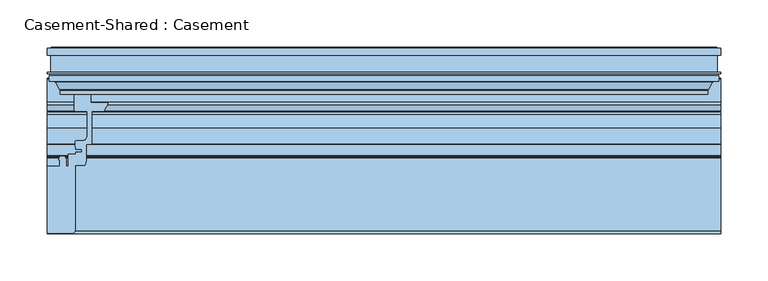
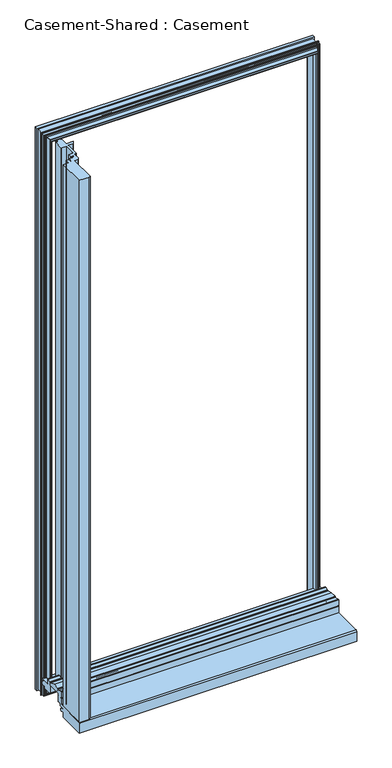
"""IFC4 building model written with IfcOpenShell, lengths in millimetres: window geometry, Casement-Shared : Casement."""

from ifc_helpers import new_model, si_unit, point, frame, frame_2d, origin, place, context, project, spatial, polyline, circle_curve, ellipse_curve, trimmed, segment, composite_curve, outline, extrude, source, transform, mapped, element, save
from ifc_brep_helpers import plane_surface, cylinder_surface, revolved_surface, advanced_brep


def casement_shared_casement_b334f753(model_context):
    return source(origin(), model_context, "Body", "SolidModel", [
        advanced_brep(
        [(-341.1832018, 129.8010317, 2423.9832018), (-342.8319392, 131.3656251, 2425.6319392), (342.8319392, 131.3656251, 2425.6319392), (341.1832018, 129.8010317, 2423.9832018), (-339.725, 101.9768836, 2422.525), (339.725, 101.9768836, 2422.525), (-339.725, 89.8216812, 2422.525), (339.725, 89.8216812, 2422.525), (-341.1197561, 89.024415, 2423.9197561), (-340.6461468, 89.8216812, 2423.4461468), (340.6461468, 89.8216812, 2423.4461468), (341.1197561, 89.024415, 2423.9197561), (-340.121875, 87.9951251, 2422.921875), (340.121875, 87.9951251, 2422.921875), (-340.121875, 81.8991251, 2422.921875), (340.121875, 81.8991251, 2422.921875), (-342.10625, 85.6649793, 2424.90625), (-342.10625, 81.8991251, 2424.90625), (342.10625, 81.8991251, 2424.90625), (342.10625, 85.6649793, 2424.90625), (-342.4061354, 86.7841668, 2425.2061354), (342.4061354, 86.7841668, 2425.2061354), (-346.7302122, 94.2736876, 2429.5302122), (346.7302122, 94.2736876, 2429.5302122), (-348.6687018, 95.3928751, 2431.4687018), (348.6687018, 95.3928751, 2431.4687018), (-349.646875, 101.7677864, 2432.446875), (-349.646875, 95.3928751, 2432.446875), (349.646875, 95.3928751, 2432.446875), (349.646875, 101.7677864, 2432.446875), (-351.5972205, 99.817441, 2434.3972205), (351.5972205, 99.817441, 2434.3972205), (-351.6333225, 95.3928751, 2434.4333225), (351.6333225, 95.3928751, 2434.4333225), (-353.614659, 101.4973017, 2436.414659), (-353.614659, 95.3928751, 2436.414659), (353.614659, 95.3928751, 2436.414659), (353.614659, 101.4973017, 2436.414659), (-352.8202442, 103.5843751, 2435.6202442), (-352.8202442, 101.4973017, 2435.6202442), (352.8202442, 101.4973017, 2435.6202442), (352.8202442, 103.5843751, 2435.6202442), (-355.6, 104.9813751, 2438.4), (-355.6, 103.5843751, 2438.4), (355.6, 103.5843751, 2438.4), (355.6, 104.9813751, 2438.4), (-352.028125, 123.2376251, 2434.828125), (-352.028125, 104.9813751, 2434.828125), (352.028125, 104.9813751, 2434.828125), (352.028125, 123.2376251, 2434.828125), (-355.6, 130.5493233, 2438.4), (-355.6, 123.2376251, 2438.4), (355.6, 123.2376251, 2438.4), (355.6, 130.5493233, 2438.4), (-354.2806724, 124.5076251, 2437.0806724), (-354.2806724, 130.5493233, 2437.0806724), (354.2806724, 130.5493233, 2437.0806724), (354.2806724, 124.5076251, 2437.0806724), (-352.028125, 130.5782251, 2434.828125), (-352.028125, 124.5076251, 2434.828125), (352.028125, 124.5076251, 2434.828125), (352.028125, 130.5782251, 2434.828125), (-351.240725, 131.3656251, 2434.040725), (351.240725, 131.3656251, 2434.040725), (342.8319392, 131.3656251, 927.1680608), (341.1832018, 129.8010317, 928.8167982), (339.725, 101.9768836, 930.275), (339.725, 89.8216812, 930.275), (340.6461468, 89.8216812, 929.3538532), (341.1197561, 89.024415, 928.8802439), (340.121875, 87.9951251, 929.878125), (340.121875, 81.8991251, 929.878125), (342.10625, 81.8991251, 927.89375), (342.10625, 85.6649793, 927.89375), (342.4061354, 86.7841668, 927.5938646), (346.7302122, 94.2736876, 923.2697878), (348.6687018, 95.3928751, 921.3312982), (349.646875, 95.3928751, 920.353125), (349.646875, 101.7677864, 920.353125), (351.5972205, 99.817441, 918.4027795), (351.6333225, 95.3928751, 918.3666775), (353.614659, 95.3928751, 916.385341), (353.614659, 101.4973017, 916.385341), (352.8202442, 101.4973017, 917.1797558), (352.8202442, 103.5843751, 917.1797558), (355.6, 103.5843751, 914.4), (355.6, 104.9813751, 914.4), (352.028125, 104.9813751, 917.971875), (352.028125, 123.2376251, 917.971875), (355.6, 123.2376251, 914.4), (355.6, 130.5493233, 914.4), (354.2806724, 130.5493233, 915.7193276), (354.2806724, 124.5076251, 915.7193276), (352.028125, 124.5076251, 917.971875), (352.028125, 130.5782251, 917.971875), (351.240725, 131.3656251, 918.759275), (-342.8319392, 131.3656251, 927.1680608), (-341.1832018, 129.8010317, 928.8167982), (-339.725, 101.9768836, 930.275), (-339.725, 89.8216812, 930.275), (-340.6461468, 89.8216812, 929.3538532), (-341.1197561, 89.024415, 928.8802439), (-340.121875, 87.9951251, 929.878125), (-340.121875, 81.8991251, 929.878125), (-342.10625, 81.8991251, 927.89375), (-342.10625, 85.6649793, 927.89375), (-342.4061354, 86.7841668, 927.5938646), (-346.7302122, 94.2736876, 923.2697878), (-348.6687018, 95.3928751, 921.3312982), (-349.646875, 95.3928751, 920.353125), (-349.646875, 101.7677864, 920.353125), (-351.5972205, 99.817441, 918.4027795), (-351.6333225, 95.3928751, 918.3666775), (-353.614659, 95.3928751, 916.385341), (-353.614659, 101.4973017, 916.385341), (-352.8202442, 101.4973017, 917.1797558), (-352.8202442, 103.5843751, 917.1797558), (-355.6, 103.5843751, 914.4), (-355.6, 104.9813751, 914.4), (-352.028125, 104.9813751, 917.971875), (-352.028125, 123.2376251, 917.971875), (-355.6, 123.2376251, 914.4), (-355.6, 130.5493233, 914.4), (-354.2806724, 130.5493233, 915.7193276), (-354.2806724, 124.5076251, 915.7193276), (-352.028125, 124.5076251, 917.971875), (-352.028125, 130.5782251, 917.971875), (-351.240725, 131.3656251, 918.759275)],
        [
            (0, 1, ellipse_curve(frame((-342.8319392, 129.7146251, 2425.6319392), z_axis=(0.7071067811865475, 0.0, 0.7071067811865475), x_axis=(-0.7071067811865476, 0.0, 0.7071067811865474)), 2.3348666, 1.651)),
            (1, 2),
            (2, 3, ellipse_curve(frame((342.8319392, 129.7146251, 2425.6319392), z_axis=(-0.7071067811865475, 0.0, 0.7071067811865475), x_axis=(-0.7071067811865476, 0.0, -0.7071067811865474)), 2.3348666, 1.651)),
            (3, 0),
            (4, 0),
            (3, 5),
            (5, 4),
            (6, 4),
            (5, 7),
            (7, 6),
            (8, 9),
            (9, 10),
            (10, 11),
            (11, 8),
            (12, 8),
            (11, 13),
            (13, 12),
            (14, 12),
            (13, 15),
            (15, 14),
            (16, 17),
            (17, 18),
            (18, 19),
            (19, 16),
            (20, 16, ellipse_curve(frame((-344.344625, 85.6649793, 2427.144625), z_axis=(-0.7071067811865475, 0.0, -0.7071067811865475), x_axis=(0.7071067811865476, 0.0, -0.7071067811865474)), 3.1655403, 2.238375)),
            (19, 21, ellipse_curve(frame((344.344625, 85.6649793, 2427.144625), z_axis=(0.7071067811865475, 0.0, -0.7071067811865475), x_axis=(0.7071067811865476, 0.0, 0.7071067811865474)), 3.1655403, 2.238375)),
            (21, 20),
            (22, 20),
            (21, 23),
            (23, 22),
            (24, 22, ellipse_curve(frame((-348.6687018, 93.1545001, 2431.4687018), z_axis=(-0.7071067811865475, 0.0, -0.7071067811865475), x_axis=(0.7071067811865476, 0.0, -0.7071067811865474)), 3.1655403, 2.238375)),
            (23, 25, ellipse_curve(frame((348.6687018, 93.1545001, 2431.4687018), z_axis=(0.7071067811865475, 0.0, -0.7071067811865475), x_axis=(0.7071067811865476, 0.0, 0.7071067811865474)), 3.1655403, 2.238375)),
            (25, 24),
            (26, 27),
            (27, 28),
            (28, 29),
            (29, 26),
            (30, 26),
            (29, 31),
            (31, 30),
            (32, 30),
            (31, 33),
            (33, 32),
            (34, 35),
            (35, 36),
            (36, 37),
            (37, 34),
            (38, 39),
            (39, 40),
            (40, 41),
            (41, 38),
            (42, 43),
            (43, 44),
            (44, 45),
            (45, 42),
            (46, 47),
            (47, 48),
            (48, 49),
            (49, 46),
            (50, 51),
            (51, 52),
            (52, 53),
            (53, 50),
            (54, 55),
            (55, 56),
            (56, 57),
            (57, 54),
            (58, 59),
            (59, 60),
            (60, 61),
            (61, 58),
            (62, 58, ellipse_curve(frame((-351.240725, 130.5782251, 2434.040725), z_axis=(0.7071067811865475, 0.0, 0.7071067811865475), x_axis=(-0.7071067811865476, 0.0, 0.7071067811865474)), 1.1135518, 0.7874)),
            (61, 63, ellipse_curve(frame((351.240725, 130.5782251, 2434.040725), z_axis=(-0.7071067811865475, 0.0, 0.7071067811865475), x_axis=(-0.7071067811865476, 0.0, -0.7071067811865474)), 1.1135518, 0.7874)),
            (63, 62),
            (2, 64),
            (64, 65, ellipse_curve(frame((342.8319392, 129.7146251, 927.1680608), z_axis=(0.7071067811865475, 0.0, 0.7071067811865475), x_axis=(-0.7071067811865474, 0.0, 0.7071067811865476)), 2.3348666, 1.651)),
            (65, 3),
            (65, 66),
            (66, 5),
            (66, 67),
            (67, 7),
            (10, 68),
            (68, 69),
            (69, 11),
            (69, 70),
            (70, 13),
            (70, 71),
            (71, 15),
            (18, 72),
            (72, 73),
            (73, 19),
            (73, 74, ellipse_curve(frame((344.344625, 85.6649793, 925.655375), z_axis=(-0.7071067811865475, 0.0, -0.7071067811865475), x_axis=(0.7071067811865474, 0.0, -0.7071067811865476)), 3.1655403, 2.238375)),
            (74, 21),
            (74, 75),
            (75, 23),
            (75, 76, ellipse_curve(frame((348.6687018, 93.1545001, 921.3312982), z_axis=(-0.7071067811865475, 0.0, -0.7071067811865475), x_axis=(0.7071067811865474, 0.0, -0.7071067811865476)), 3.1655403, 2.238375)),
            (76, 25),
            (28, 77),
            (77, 78),
            (78, 29),
            (78, 79),
            (79, 31),
            (79, 80),
            (80, 33),
            (36, 81),
            (81, 82),
            (82, 37),
            (40, 83),
            (83, 84),
            (84, 41),
            (44, 85),
            (85, 86),
            (86, 45),
            (48, 87),
            (87, 88),
            (88, 49),
            (52, 89),
            (89, 90),
            (90, 53),
            (56, 91),
            (91, 92),
            (92, 57),
            (60, 93),
            (93, 94),
            (94, 61),
            (94, 95, ellipse_curve(frame((351.240725, 130.5782251, 918.759275), z_axis=(0.7071067811865475, 0.0, 0.7071067811865475), x_axis=(-0.7071067811865474, 0.0, 0.7071067811865476)), 1.1135518, 0.7874)),
            (95, 63),
            (64, 96),
            (96, 97, ellipse_curve(frame((-342.8319392, 129.7146251, 927.1680608), z_axis=(0.7071067811865475, 0.0, -0.7071067811865475), x_axis=(0.7071067811865476, 0.0, 0.7071067811865474)), 2.3348666, 1.651)),
            (97, 65),
            (97, 98),
            (98, 66),
            (98, 99),
            (99, 67),
            (68, 100),
            (100, 101),
            (101, 69),
            (101, 102),
            (102, 70),
            (102, 103),
            (103, 71),
            (72, 104),
            (104, 105),
            (105, 73),
            (105, 106, ellipse_curve(frame((-344.344625, 85.6649793, 925.655375), z_axis=(-0.7071067811865475, 0.0, 0.7071067811865475), x_axis=(-0.7071067811865476, 0.0, -0.7071067811865474)), 3.1655403, 2.238375)),
            (106, 74),
            (106, 107),
            (107, 75),
            (107, 108, ellipse_curve(frame((-348.6687018, 93.1545001, 921.3312982), z_axis=(-0.7071067811865475, 0.0, 0.7071067811865475), x_axis=(-0.7071067811865476, 0.0, -0.7071067811865474)), 3.1655403, 2.238375)),
            (108, 76),
            (77, 109),
            (109, 110),
            (110, 78),
            (110, 111),
            (111, 79),
            (111, 112),
            (112, 80),
            (81, 113),
            (113, 114),
            (114, 82),
            (83, 115),
            (115, 116),
            (116, 84),
            (85, 117),
            (117, 118),
            (118, 86),
            (87, 119),
            (119, 120),
            (120, 88),
            (89, 121),
            (121, 122),
            (122, 90),
            (91, 123),
            (123, 124),
            (124, 92),
            (93, 125),
            (125, 126),
            (126, 94),
            (126, 127, ellipse_curve(frame((-351.240725, 130.5782251, 918.759275), z_axis=(0.7071067811865475, 0.0, -0.7071067811865475), x_axis=(0.7071067811865476, 0.0, 0.7071067811865474)), 1.1135518, 0.7874)),
            (127, 95),
            (127, 62),
            (1, 96),
            (0, 97),
            (4, 98),
            (6, 99),
            (9, 100),
            (8, 101),
            (12, 102),
            (14, 103),
            (17, 104),
            (16, 105),
            (20, 106),
            (22, 107),
            (24, 108),
            (27, 109),
            (26, 110),
            (30, 111),
            (32, 112),
            (35, 113),
            (34, 114),
            (39, 115),
            (38, 116),
            (43, 117),
            (42, 118),
            (47, 119),
            (46, 120),
            (51, 121),
            (50, 122),
            (55, 123),
            (54, 124),
            (59, 125),
            (58, 126),
        ],
        [
            cylinder_surface(frame((-355.6, 129.7146251, 2425.6319392), z_axis=(-1.0, 0.0, 0.0), x_axis=(0.0, -1.0, 0.0)), 1.651),
            plane_surface(frame((-341.1832018, 129.8010317, 2423.9832018), z_axis=(0.0, 0.052335956171644965, -0.9986295347583105), x_axis=(1.0, 0.0, 0.0))),
            plane_surface(frame((-339.725, 101.9768836, 2422.525), z_axis=(0.0, 0.0, -1.0), x_axis=(1.0, 0.0, 0.0))),
            plane_surface(frame((-340.6461468, 89.8216812, 2423.4461468), z_axis=(0.0, -0.5107241001792228, -0.8597446676171497), x_axis=(1.0, 0.0, 0.0))),
            plane_surface(frame((-341.1197561, 89.024415, 2423.9197561), z_axis=(0.0, 0.6960673741081304, -0.717976469462762), x_axis=(1.0, 0.0, 0.0))),
            plane_surface(frame((-340.121875, 87.9951251, 2422.921875), z_axis=(0.0, 0.0, -1.0), x_axis=(1.0, 0.0, 0.0))),
            plane_surface(frame((-342.10625, 81.8991251, 2424.90625), z_axis=(0.0, 0.0, 1.0), x_axis=(1.0, 0.0, 0.0))),
            revolved_surface(polyline([(346.5830000122494, 83.4266043, 2427.144625), (-346.58300001224933, 83.4266043, 2427.144625)]), (-355.6, 85.6649793, 2427.144625), (1.0, 0.0, 0.0)),
            plane_surface(frame((-342.4061354, 86.7841668, 2425.2061354), z_axis=(0.0, -0.4999999999995775, 0.8660254037846826), x_axis=(1.0, 0.0, 0.0))),
            revolved_surface(polyline([(350.90707681224933, 90.9161251, 2431.4687018), (-350.90707681224933, 90.9161251, 2431.4687018)]), (-355.6, 93.1545001, 2431.4687018), (1.0, 0.0, 0.0)),
            plane_surface(frame((-349.646875, 95.3928751, 2432.446875), z_axis=(0.0, 0.0, 1.0), x_axis=(1.0, 0.0, 0.0))),
            plane_surface(frame((-349.646875, 101.7677864, 2432.446875), z_axis=(0.0, -0.7071067811874432, -0.707106781185652), x_axis=(1.0, 0.0, 0.0))),
            plane_surface(frame((-351.5972205, 99.817441, 2434.3972205), z_axis=(0.0, -0.00815918402479443, -0.9999667133040228), x_axis=(1.0, 0.0, 0.0))),
            plane_surface(frame((-353.614659, 95.3928751, 2436.414659), z_axis=(0.0, 0.0, 1.0), x_axis=(1.0, 0.0, 0.0))),
            plane_surface(frame((-352.8202442, 101.4973017, 2435.6202442), z_axis=(0.0, 0.0, 1.0), x_axis=(1.0, 0.0, 0.0))),
            plane_surface(frame((-355.6, 103.5843751, 2438.4), z_axis=(0.0, 0.0, 1.0), x_axis=(1.0, 0.0, 0.0))),
            plane_surface(frame((-352.028125, 104.9813751, 2434.828125), z_axis=(0.0, 0.0, 1.0), x_axis=(1.0, 0.0, 0.0))),
            plane_surface(frame((-355.6, 123.2376251, 2438.4), z_axis=(0.0, 0.0, 1.0), x_axis=(1.0, 0.0, 0.0))),
            plane_surface(frame((-354.2806724, 130.5493233, 2437.0806724), z_axis=(0.0, 0.0, -1.0), x_axis=(1.0, 0.0, 0.0))),
            plane_surface(frame((-352.028125, 124.5076251, 2434.828125), z_axis=(0.0, 0.0, 1.0), x_axis=(1.0, 0.0, 0.0))),
            cylinder_surface(frame((-355.6, 130.5782251, 2434.040725), z_axis=(-1.0, 0.0, 0.0), x_axis=(0.0, -1.0, 0.0)), 0.7874),
            cylinder_surface(frame((342.8319392, 129.7146251, 2438.4), z_axis=(0.0, 0.0, 1.0), x_axis=(0.0, -1.0, 0.0)), 1.651),
            plane_surface(frame((341.1832018, 129.8010317, 2423.9832018), z_axis=(-0.9986295347583105, 0.052335956171644965, 0.0), x_axis=(0.0, 0.0, -1.0))),
            plane_surface(frame((339.725, 101.9768836, 2422.525), z_axis=(-1.0, 0.0, 0.0), x_axis=(0.0, 0.0, -1.0))),
            plane_surface(frame((340.6461468, 89.8216812, 2423.4461468), z_axis=(-0.8597446676171497, -0.5107241001792228, 0.0), x_axis=(0.0, 0.0, -1.0))),
            plane_surface(frame((341.1197561, 89.024415, 2423.9197561), z_axis=(-0.717976469462762, 0.6960673741081304, 0.0), x_axis=(0.0, 0.0, -1.0))),
            plane_surface(frame((340.121875, 87.9951251, 2422.921875), z_axis=(-1.0, 0.0, 0.0), x_axis=(0.0, 0.0, -1.0))),
            plane_surface(frame((342.10625, 81.8991251, 2424.90625), z_axis=(1.0, 0.0, 0.0), x_axis=(0.0, 0.0, -1.0))),
            revolved_surface(polyline([(344.344625, 83.4266043, 923.4169999877508), (344.344625, 83.4266043, 2429.3830000122493)]), (344.344625, 85.6649793, 2438.4), (0.0, 0.0, -1.0)),
            plane_surface(frame((342.4061354, 86.7841668, 2425.2061354), z_axis=(0.8660254037846826, -0.4999999999995775, 0.0), x_axis=(0.0, 0.0, -1.0))),
            revolved_surface(polyline([(348.6687018, 90.9161251, 919.0929231877508), (348.6687018, 90.9161251, 2433.7070768122494)]), (348.6687018, 93.1545001, 2438.4), (0.0, 0.0, -1.0)),
            plane_surface(frame((349.646875, 95.3928751, 2432.446875), z_axis=(1.0, 0.0, 0.0), x_axis=(0.0, 0.0, -1.0))),
            plane_surface(frame((349.646875, 101.7677864, 2432.446875), z_axis=(-0.707106781185652, -0.7071067811874432, 0.0), x_axis=(0.0, 0.0, -1.0))),
            plane_surface(frame((351.5972205, 99.817441, 2434.3972205), z_axis=(-0.9999667133040228, -0.00815918402479443, 0.0), x_axis=(0.0, 0.0, -1.0))),
            plane_surface(frame((353.614659, 95.3928751, 2436.414659), z_axis=(1.0, 0.0, 0.0), x_axis=(0.0, 0.0, -1.0))),
            plane_surface(frame((352.8202442, 101.4973017, 2435.6202442), z_axis=(1.0, 0.0, 0.0), x_axis=(0.0, 0.0, -1.0))),
            plane_surface(frame((355.6, 103.5843751, 2438.4), z_axis=(1.0, 0.0, 0.0), x_axis=(0.0, 0.0, -1.0))),
            plane_surface(frame((352.028125, 104.9813751, 2434.828125), z_axis=(1.0, 0.0, 0.0), x_axis=(0.0, 0.0, -1.0))),
            plane_surface(frame((355.6, 123.2376251, 2438.4), z_axis=(1.0, 0.0, 0.0), x_axis=(0.0, 0.0, -1.0))),
            plane_surface(frame((354.2806724, 130.5493233, 2437.0806724), z_axis=(-1.0, 0.0, 0.0), x_axis=(0.0, 0.0, -1.0))),
            plane_surface(frame((352.028125, 124.5076251, 2434.828125), z_axis=(1.0, 0.0, 0.0), x_axis=(0.0, 0.0, -1.0))),
            cylinder_surface(frame((351.240725, 130.5782251, 2438.4), z_axis=(0.0, 0.0, 1.0), x_axis=(0.0, -1.0, 0.0)), 0.7874),
            cylinder_surface(frame((355.6, 129.7146251, 927.1680608), z_axis=(1.0, 0.0, 0.0), x_axis=(0.0, -1.0, 0.0)), 1.651),
            plane_surface(frame((341.1832018, 129.8010317, 928.8167982), z_axis=(0.0, 0.052335956171644965, 0.9986295347583105), x_axis=(-1.0, 0.0, 0.0))),
            plane_surface(frame((339.725, 101.9768836, 930.275), z_axis=(0.0, 0.0, 1.0), x_axis=(-1.0, 0.0, 0.0))),
            plane_surface(frame((340.6461468, 89.8216812, 929.3538532), z_axis=(0.0, -0.5107241001792228, 0.8597446676171497), x_axis=(-1.0, 0.0, 0.0))),
            plane_surface(frame((341.1197561, 89.024415, 928.8802439), z_axis=(0.0, 0.6960673741081304, 0.717976469462762), x_axis=(-1.0, 0.0, 0.0))),
            plane_surface(frame((340.121875, 87.9951251, 929.878125), z_axis=(0.0, 0.0, 1.0), x_axis=(-1.0, 0.0, 0.0))),
            plane_surface(frame((342.10625, 81.8991251, 927.89375), z_axis=(0.0, 0.0, -1.0), x_axis=(-1.0, 0.0, 0.0))),
            revolved_surface(polyline([(-346.5830000122494, 83.4266043, 925.655375), (346.58300001224933, 83.4266043, 925.655375)]), (355.6, 85.6649793, 925.655375), (-1.0, 0.0, 0.0)),
            plane_surface(frame((342.4061354, 86.7841668, 927.5938646), z_axis=(0.0, -0.4999999999995775, -0.8660254037846826), x_axis=(-1.0, 0.0, 0.0))),
            revolved_surface(polyline([(-350.90707681224933, 90.9161251, 921.3312982), (350.90707681224933, 90.9161251, 921.3312982)]), (355.6, 93.1545001, 921.3312982), (-1.0, 0.0, 0.0)),
            plane_surface(frame((349.646875, 95.3928751, 920.353125), z_axis=(0.0, 0.0, -1.0), x_axis=(-1.0, 0.0, 0.0))),
            plane_surface(frame((349.646875, 101.7677864, 920.353125), z_axis=(0.0, -0.7071067811874432, 0.707106781185652), x_axis=(-1.0, 0.0, 0.0))),
            plane_surface(frame((351.5972205, 99.817441, 918.4027795), z_axis=(0.0, -0.00815918402479443, 0.9999667133040228), x_axis=(-1.0, 0.0, 0.0))),
            plane_surface(frame((353.614659, 95.3928751, 916.385341), z_axis=(0.0, 0.0, -1.0), x_axis=(-1.0, 0.0, 0.0))),
            plane_surface(frame((352.8202442, 101.4973017, 917.1797558), z_axis=(0.0, 0.0, -1.0), x_axis=(-1.0, 0.0, 0.0))),
            plane_surface(frame((355.6, 103.5843751, 914.4), z_axis=(0.0, 0.0, -1.0), x_axis=(-1.0, 0.0, 0.0))),
            plane_surface(frame((352.028125, 104.9813751, 917.971875), z_axis=(0.0, 0.0, -1.0), x_axis=(-1.0, 0.0, 0.0))),
            plane_surface(frame((355.6, 123.2376251, 914.4), z_axis=(0.0, 0.0, -1.0), x_axis=(-1.0, 0.0, 0.0))),
            plane_surface(frame((354.2806724, 130.5493233, 915.7193276), z_axis=(0.0, 0.0, 1.0), x_axis=(-1.0, 0.0, 0.0))),
            plane_surface(frame((352.028125, 124.5076251, 917.971875), z_axis=(0.0, 0.0, -1.0), x_axis=(-1.0, 0.0, 0.0))),
            cylinder_surface(frame((355.6, 130.5782251, 918.759275), z_axis=(1.0, 0.0, 0.0), x_axis=(0.0, -1.0, 0.0)), 0.7874),
            plane_surface(frame((-351.240725, 131.3656251, 918.759275), z_axis=(0.0, 1.0, 0.0), x_axis=(0.0, 0.0, 1.0))),
            cylinder_surface(frame((-342.8319392, 129.7146251, 914.4), z_axis=(0.0, 0.0, -1.0), x_axis=(0.0, -1.0, 0.0)), 1.651),
            plane_surface(frame((-341.1832018, 129.8010317, 928.8167982), z_axis=(0.9986295347583105, 0.052335956171644965, 0.0), x_axis=(0.0, 0.0, 1.0))),
            plane_surface(frame((-339.725, 101.9768836, 930.275), z_axis=(1.0, 0.0, 0.0), x_axis=(0.0, 0.0, 1.0))),
            plane_surface(frame((-339.725, 89.8216812, 930.275), z_axis=(0.0, -1.0, 0.0), x_axis=(0.0, 0.0, 1.0))),
            plane_surface(frame((-340.6461468, 89.8216812, 929.3538532), z_axis=(0.8597446676171497, -0.5107241001792228, 0.0), x_axis=(0.0, 0.0, 1.0))),
            plane_surface(frame((-341.1197561, 89.024415, 928.8802439), z_axis=(0.717976469462762, 0.6960673741081304, 0.0), x_axis=(0.0, 0.0, 1.0))),
            plane_surface(frame((-340.121875, 87.9951251, 929.878125), z_axis=(1.0, 0.0, 0.0), x_axis=(0.0, 0.0, 1.0))),
            plane_surface(frame((-340.121875, 81.8991251, 929.878125), z_axis=(0.0, -1.0, 0.0), x_axis=(0.0, 0.0, 1.0))),
            plane_surface(frame((-342.10625, 81.8991251, 927.89375), z_axis=(-1.0, 0.0, 0.0), x_axis=(0.0, 0.0, 1.0))),
            revolved_surface(polyline([(-344.344625, 83.4266043, 2429.383000012249), (-344.344625, 83.4266043, 923.4169999877507)]), (-344.344625, 85.6649793, 914.4), (0.0, 0.0, 1.0)),
            plane_surface(frame((-342.4061354, 86.7841668, 927.5938646), z_axis=(-0.8660254037846826, -0.4999999999995775, 0.0), x_axis=(0.0, 0.0, 1.0))),
            revolved_surface(polyline([(-348.6687018, 90.9161251, 2433.707076812249), (-348.6687018, 90.9161251, 919.0929231877507)]), (-348.6687018, 93.1545001, 914.4), (0.0, 0.0, 1.0)),
            plane_surface(frame((-348.6687018, 95.3928751, 921.3312982), z_axis=(0.0, -1.0, 0.0), x_axis=(0.0, 0.0, 1.0))),
            plane_surface(frame((-349.646875, 95.3928751, 920.353125), z_axis=(-1.0, 0.0, 0.0), x_axis=(0.0, 0.0, 1.0))),
            plane_surface(frame((-349.646875, 101.7677864, 920.353125), z_axis=(0.707106781185652, -0.7071067811874432, 0.0), x_axis=(0.0, 0.0, 1.0))),
            plane_surface(frame((-351.5972205, 99.817441, 918.4027795), z_axis=(0.9999667133040228, -0.00815918402479443, 0.0), x_axis=(0.0, 0.0, 1.0))),
            plane_surface(frame((-351.6333225, 95.3928751, 918.3666775), z_axis=(0.0, -1.0, 0.0), x_axis=(0.0, 0.0, 1.0))),
            plane_surface(frame((-353.614659, 95.3928751, 916.385341), z_axis=(-1.0, 0.0, 0.0), x_axis=(0.0, 0.0, 1.0))),
            plane_surface(frame((-353.614659, 101.4973017, 916.385341), z_axis=(0.0, 1.0, 0.0), x_axis=(0.0, 0.0, 1.0))),
            plane_surface(frame((-352.8202442, 101.4973017, 917.1797558), z_axis=(-1.0, 0.0, 0.0), x_axis=(0.0, 0.0, 1.0))),
            plane_surface(frame((-352.8202442, 103.5843751, 917.1797558), z_axis=(0.0, -1.0, 0.0), x_axis=(0.0, 0.0, 1.0))),
            plane_surface(frame((-355.6, 103.5843751, 914.4), z_axis=(-1.0, 0.0, 0.0), x_axis=(0.0, 0.0, 1.0))),
            plane_surface(frame((-355.6, 104.9813751, 914.4), z_axis=(0.0, 1.0, 0.0), x_axis=(0.0, 0.0, 1.0))),
            plane_surface(frame((-352.028125, 104.9813751, 917.971875), z_axis=(-1.0, 0.0, 0.0), x_axis=(0.0, 0.0, 1.0))),
            plane_surface(frame((-352.028125, 123.2376251, 917.971875), z_axis=(0.0, -1.0, 0.0), x_axis=(0.0, 0.0, 1.0))),
            plane_surface(frame((-355.6, 123.2376251, 914.4), z_axis=(-1.0, 0.0, 0.0), x_axis=(0.0, 0.0, 1.0))),
            plane_surface(frame((-355.6, 130.5493233, 914.4), z_axis=(0.0, 1.0, 0.0), x_axis=(0.0, 0.0, 1.0))),
            plane_surface(frame((-354.2806724, 130.5493233, 915.7193276), z_axis=(1.0, 0.0, 0.0), x_axis=(0.0, 0.0, 1.0))),
            plane_surface(frame((-354.2806724, 124.5076251, 915.7193276), z_axis=(0.0, 1.0, 0.0), x_axis=(0.0, 0.0, 1.0))),
            plane_surface(frame((-352.028125, 124.5076251, 917.971875), z_axis=(-1.0, 0.0, 0.0), x_axis=(0.0, 0.0, 1.0))),
            cylinder_surface(frame((-351.240725, 130.5782251, 914.4), z_axis=(0.0, 0.0, -1.0), x_axis=(0.0, -1.0, 0.0)), 0.7874),
        ],
        [
            (0, [[1, 2, 3, 4]]),
            (1, [[5, -4, 6, 7]]),
            (2, [[8, -7, 9, 10]]),
            (3, [[11, 12, 13, 14]]),
            (4, [[15, -14, 16, 17]]),
            (5, [[18, -17, 19, 20]]),
            (6, [[21, 22, 23, 24]]),
            (7, [[25, -24, 26, 27]]),
            (8, [[28, -27, 29, 30]]),
            (9, [[31, -30, 32, 33]]),
            (10, [[34, 35, 36, 37]]),
            (11, [[38, -37, 39, 40]]),
            (12, [[41, -40, 42, 43]]),
            (13, [[44, 45, 46, 47]]),
            (14, [[48, 49, 50, 51]]),
            (15, [[52, 53, 54, 55]]),
            (16, [[56, 57, 58, 59]]),
            (17, [[60, 61, 62, 63]]),
            (18, [[64, 65, 66, 67]]),
            (19, [[68, 69, 70, 71]]),
            (20, [[72, -71, 73, 74]]),
            (21, [[-3, 75, 76, 77]]),
            (22, [[-6, -77, 78, 79]]),
            (23, [[-9, -79, 80, 81]]),
            (24, [[-13, 82, 83, 84]]),
            (25, [[-16, -84, 85, 86]]),
            (26, [[-19, -86, 87, 88]]),
            (27, [[-23, 89, 90, 91]]),
            (28, [[-26, -91, 92, 93]]),
            (29, [[-29, -93, 94, 95]]),
            (30, [[-32, -95, 96, 97]]),
            (31, [[-36, 98, 99, 100]]),
            (32, [[-39, -100, 101, 102]]),
            (33, [[-42, -102, 103, 104]]),
            (34, [[-46, 105, 106, 107]]),
            (35, [[-50, 108, 109, 110]]),
            (36, [[-54, 111, 112, 113]]),
            (37, [[-58, 114, 115, 116]]),
            (38, [[-62, 117, 118, 119]]),
            (39, [[-66, 120, 121, 122]]),
            (40, [[-70, 123, 124, 125]]),
            (41, [[-73, -125, 126, 127]]),
            (42, [[-76, 128, 129, 130]]),
            (43, [[-78, -130, 131, 132]]),
            (44, [[-80, -132, 133, 134]]),
            (45, [[-83, 135, 136, 137]]),
            (46, [[-85, -137, 138, 139]]),
            (47, [[-87, -139, 140, 141]]),
            (48, [[-90, 142, 143, 144]]),
            (49, [[-92, -144, 145, 146]]),
            (50, [[-94, -146, 147, 148]]),
            (51, [[-96, -148, 149, 150]]),
            (52, [[-99, 151, 152, 153]]),
            (53, [[-101, -153, 154, 155]]),
            (54, [[-103, -155, 156, 157]]),
            (55, [[-106, 158, 159, 160]]),
            (56, [[-109, 161, 162, 163]]),
            (57, [[-112, 164, 165, 166]]),
            (58, [[-115, 167, 168, 169]]),
            (59, [[-118, 170, 171, 172]]),
            (60, [[-121, 173, 174, 175]]),
            (61, [[-124, 176, 177, 178]]),
            (62, [[-126, -178, 179, 180]]),
            (63, [[-127, -180, 181, -74], [182, -128, -75, -2]]),
            (64, [[-129, -182, -1, 183]]),
            (65, [[-131, -183, -5, 184]]),
            (66, [[-133, -184, -8, 185]]),
            (67, [[186, -135, -82, -12], [-81, -134, -185, -10]]),
            (68, [[-136, -186, -11, 187]]),
            (69, [[-138, -187, -15, 188]]),
            (70, [[-140, -188, -18, 189]]),
            (71, [[190, -142, -89, -22], [-88, -141, -189, -20]]),
            (72, [[-143, -190, -21, 191]]),
            (73, [[-145, -191, -25, 192]]),
            (74, [[-147, -192, -28, 193]]),
            (75, [[-149, -193, -31, 194]]),
            (76, [[195, -151, -98, -35], [-97, -150, -194, -33]]),
            (77, [[-152, -195, -34, 196]]),
            (78, [[-154, -196, -38, 197]]),
            (79, [[-156, -197, -41, 198]]),
            (80, [[199, -158, -105, -45], [-104, -157, -198, -43]]),
            (81, [[-159, -199, -44, 200]]),
            (82, [[-107, -160, -200, -47], [201, -161, -108, -49]]),
            (83, [[-162, -201, -48, 202]]),
            (84, [[203, -164, -111, -53], [-110, -163, -202, -51]]),
            (85, [[-165, -203, -52, 204]]),
            (86, [[-113, -166, -204, -55], [205, -167, -114, -57]]),
            (87, [[-168, -205, -56, 206]]),
            (88, [[207, -170, -117, -61], [-116, -169, -206, -59]]),
            (89, [[-171, -207, -60, 208]]),
            (90, [[-119, -172, -208, -63], [209, -173, -120, -65]]),
            (91, [[-174, -209, -64, 210]]),
            (92, [[-122, -175, -210, -67], [211, -176, -123, -69]]),
            (93, [[-177, -211, -68, 212]]),
            (94, [[-179, -212, -72, -181]]),
        ],
    ),
        advanced_brep(
        [(355.6, -65.0875, 940.59375), (355.6, -65.0875, 914.4), (355.6, 5.953125, 914.4), (355.6, 5.953125, 927.2984375), (355.6, 12.7, 927.2984375), (355.6, 12.7, 926.30625), (355.6, 13.49375, 926.30625), (355.6, 16.271875, 927.89375), (355.6, 16.271875, 932.8546875), (355.6, 12.7, 934.4421875), (355.6, 5.953125, 934.4421875), (355.6, 5.953125, 936.625), (355.6, 17.4625, 936.625), (355.6, 18.25625, 937.41875), (355.6, 18.25625, 943.76875), (355.6, 20.6375001, 943.76875), (355.6, 20.6375001, 950.52515), (355.6, 23.8125001, 950.52515), (355.6, 23.8125001, 943.76875), (355.6, 26.6763501, 943.76875), (355.6, 27.4637501, 944.55615), (355.6, 27.4637501, 960.4408177), (355.6, 26.6763501, 961.2282177), (355.6, 27.4637501, 961.2282177), (355.6, 28.7337501, 965.9907177), (355.6, 63.1825001, 965.9907177), (355.6, 63.1825001, 971.7880764), (355.6, 60.8292505, 974.8548909), (355.6, 46.5137501, 978.6907177), (355.6, 29.8450001, 978.6907177), (355.6, 29.0512501, 977.8969677), (355.6, 29.0512501, 976.3094677), (355.6, 17.1450001, 976.3094677), (355.6, 17.1450001, 977.9033177), (355.6, 16.3576001, 978.6907177), (355.6, 15.5511501, 978.6907177), (355.6, 14.7637501, 977.9033177), (355.6, 14.7637501, 962.0156177), (355.6, 15.5511501, 961.2282177), (355.6, 14.7637501, 960.4408177), (355.6, 14.7637501, 943.76875), (355.6, -61.9125, 943.76875), (-355.6, -65.0875, 940.59375), (-355.6, -61.9125, 943.76875), (-355.6, 14.7637501, 943.76875), (-355.6, 14.7637501, 960.4408177), (-355.6, 15.5511501, 961.2282177), (-355.6, 14.7637501, 962.0156177), (-355.6, 14.7637501, 977.9033177), (-355.6, 15.5511501, 978.6907177), (-355.6, 16.3576001, 978.6907177), (-355.6, 17.1450001, 977.9033177), (-355.6, 17.1450001, 976.3094677), (-355.6, 29.0512501, 976.3094677), (-355.6, 29.0512501, 977.8969677), (-355.6, 29.8450001, 978.6907177), (-355.6, 46.5137501, 978.6907177), (-355.6, 60.8292505, 974.8548909), (-355.6, 63.1825001, 971.7880764), (-355.6, 63.1825001, 965.9907177), (-355.6, 28.7337501, 965.9907177), (-355.6, 27.4637501, 961.2282177), (-355.6, 26.6763501, 961.2282177), (-355.6, 27.4637501, 960.4408177), (-355.6, 27.4637501, 944.55615), (-355.6, 26.6763501, 943.76875), (-355.6, 23.8125001, 943.76875), (-355.6, 23.8125001, 950.52515), (-355.6, 20.6375001, 950.52515), (-355.6, 20.6375001, 943.76875), (-355.6, 18.25625, 943.76875), (-355.6, 18.25625, 937.41875), (-355.6, 17.4625, 936.625), (-355.6, 5.953125, 936.625), (-355.6, 5.953125, 934.4421875), (-355.6, 12.7, 934.4421875), (-355.6, 16.271875, 932.8546875), (-355.6, 16.271875, 927.89375), (-355.6, 13.49375, 926.30625), (-355.6, 12.7, 926.30625), (-355.6, 12.7, 927.2984375), (-355.6, 5.953125, 927.2984375), (-355.6, 5.953125, 914.4), (-355.6, -65.0875, 914.4)],
        [
            (0, 1),
            (1, 2),
            (2, 3),
            (3, 4),
            (4, 5),
            (5, 6),
            (6, 7),
            (7, 8),
            (8, 9),
            (9, 10),
            (10, 11),
            (11, 12),
            (12, 13),
            (13, 14),
            (14, 15),
            (15, 16),
            (16, 17),
            (17, 18),
            (18, 19),
            (19, 20, circle_curve(frame((355.6, 26.6763501, 944.55615), z_axis=(1.0, 0.0, 0.0), x_axis=(0.0, -1.0, 0.0)), 0.7874)),
            (20, 21),
            (21, 22, circle_curve(frame((355.6, 26.6763501, 960.4408177), z_axis=(1.0, 0.0, 0.0), x_axis=(0.0, -1.0, 0.0)), 0.7874)),
            (22, 23),
            (23, 24),
            (24, 25),
            (25, 26),
            (26, 27, circle_curve(frame((355.6, 60.0075001, 971.7880764), z_axis=(1.0, 0.0, 0.0), x_axis=(0.0, -1.0, 0.0)), 3.175)),
            (27, 28),
            (28, 29),
            (29, 30, circle_curve(frame((355.6, 29.8450001, 977.8969677), z_axis=(1.0, 0.0, 0.0), x_axis=(0.0, -1.0, 0.0)), 0.79375)),
            (30, 31),
            (31, 32),
            (32, 33),
            (33, 34, circle_curve(frame((355.6, 16.3576001, 977.9033177), z_axis=(1.0, 0.0, 0.0), x_axis=(0.0, -1.0, 0.0)), 0.7874)),
            (34, 35),
            (35, 36, circle_curve(frame((355.6, 15.5511501, 977.9033177), z_axis=(1.0, 0.0, 0.0), x_axis=(0.0, -1.0, 0.0)), 0.7874)),
            (36, 37),
            (37, 38, circle_curve(frame((355.6, 15.5511501, 962.0156177), z_axis=(1.0, 0.0, 0.0), x_axis=(0.0, -1.0, 0.0)), 0.7874)),
            (38, 39, circle_curve(frame((355.6, 15.5511501, 960.4408177), z_axis=(1.0, 0.0, 0.0), x_axis=(0.0, -1.0, 0.0)), 0.7874)),
            (39, 40),
            (40, 41),
            (41, 0, circle_curve(frame((355.6, -61.9125, 940.59375), z_axis=(1.0, 0.0, 0.0), x_axis=(0.0, -1.0, 0.0)), 3.175)),
            (42, 43, circle_curve(frame((-355.6, -61.9125, 940.59375), z_axis=(-1.0, 0.0, 0.0), x_axis=(0.0, -1.0, 0.0)), 3.175)),
            (43, 44),
            (44, 45),
            (45, 46, circle_curve(frame((-355.6, 15.5511501, 960.4408177), z_axis=(-1.0, 0.0, 0.0), x_axis=(0.0, -1.0, 0.0)), 0.7874)),
            (46, 47, circle_curve(frame((-355.6, 15.5511501, 962.0156177), z_axis=(-1.0, 0.0, 0.0), x_axis=(0.0, -1.0, 0.0)), 0.7874)),
            (47, 48),
            (48, 49, circle_curve(frame((-355.6, 15.5511501, 977.9033177), z_axis=(-1.0, 0.0, 0.0), x_axis=(0.0, -1.0, 0.0)), 0.7874)),
            (49, 50),
            (50, 51, circle_curve(frame((-355.6, 16.3576001, 977.9033177), z_axis=(-1.0, 0.0, 0.0), x_axis=(0.0, -1.0, 0.0)), 0.7874)),
            (51, 52),
            (52, 53),
            (53, 54),
            (54, 55, circle_curve(frame((-355.6, 29.8450001, 977.8969677), z_axis=(-1.0, 0.0, 0.0), x_axis=(0.0, -1.0, 0.0)), 0.79375)),
            (55, 56),
            (56, 57),
            (57, 58, circle_curve(frame((-355.6, 60.0075001, 971.7880764), z_axis=(-1.0, 0.0, 0.0), x_axis=(0.0, -1.0, 0.0)), 3.175)),
            (58, 59),
            (59, 60),
            (60, 61),
            (61, 62),
            (62, 63, circle_curve(frame((-355.6, 26.6763501, 960.4408177), z_axis=(-1.0, 0.0, 0.0), x_axis=(0.0, -1.0, 0.0)), 0.7874)),
            (63, 64),
            (64, 65, circle_curve(frame((-355.6, 26.6763501, 944.55615), z_axis=(-1.0, 0.0, 0.0), x_axis=(0.0, -1.0, 0.0)), 0.7874)),
            (65, 66),
            (66, 67),
            (67, 68),
            (68, 69),
            (69, 70),
            (70, 71),
            (71, 72),
            (72, 73),
            (73, 74),
            (74, 75),
            (75, 76),
            (76, 77),
            (77, 78),
            (78, 79),
            (79, 80),
            (80, 81),
            (81, 82),
            (82, 83),
            (83, 42),
            (40, 44),
            (43, 41),
            (42, 0),
            (83, 1),
            (82, 2),
            (81, 3),
            (80, 4),
            (79, 5),
            (78, 6),
            (77, 7),
            (76, 8),
            (75, 9),
            (74, 10),
            (73, 11),
            (72, 12),
            (71, 13),
            (70, 14),
            (69, 15),
            (68, 16),
            (67, 17),
            (66, 18),
            (65, 19),
            (64, 20),
            (63, 21),
            (62, 22),
            (61, 23),
            (60, 24),
            (59, 25),
            (58, 26),
            (57, 27),
            (56, 28),
            (55, 29),
            (54, 30),
            (53, 31),
            (52, 32),
            (51, 33),
            (50, 34),
            (49, 35),
            (48, 36),
            (47, 37),
            (46, 38),
            (45, 39),
        ],
        [
            plane_surface(frame((355.6, 101.6, 914.4), z_axis=(1.0, 0.0, 0.0), x_axis=(0.0, 0.0, 1.0))),
            plane_surface(frame((-355.6, 101.6, 914.4), z_axis=(-1.0, 0.0, 0.0), x_axis=(0.0, 0.0, 1.0))),
            plane_surface(frame((355.6, 14.7637501, 943.76875), z_axis=(0.0, 0.0, 1.0), x_axis=(-1.0, 0.0, 0.0))),
            cylinder_surface(frame((355.6, -61.9125, 940.59375), z_axis=(1.0, 0.0, 0.0), x_axis=(0.0, -1.0, 0.0)), 3.175),
            plane_surface(frame((355.6, -65.0875, 940.59375), z_axis=(0.0, -1.0, 0.0), x_axis=(-1.0, 0.0, 0.0))),
            plane_surface(frame((355.6, -65.0875, 914.4), z_axis=(0.0, 0.0, -1.0), x_axis=(-1.0, 0.0, 0.0))),
            plane_surface(frame((355.6, 5.953125, 914.4), z_axis=(0.0, 1.0, 0.0), x_axis=(-1.0, 0.0, 0.0))),
            plane_surface(frame((355.6, 5.953125, 927.2984375), z_axis=(0.0, 0.0, -1.0), x_axis=(-1.0, 0.0, 0.0))),
            plane_surface(frame((355.6, 12.7, 927.2984375), z_axis=(0.0, -1.0, 0.0), x_axis=(-1.0, 0.0, 0.0))),
            plane_surface(frame((355.6, 12.7, 926.30625), z_axis=(0.0, 0.0, -1.0), x_axis=(-1.0, 0.0, 0.0))),
            plane_surface(frame((355.6, 13.49375, 926.30625), z_axis=(0.0, 0.49613893835676326, -0.8682431421244996), x_axis=(-1.0, 0.0, 0.0))),
            plane_surface(frame((355.6, 16.271875, 927.89375), z_axis=(0.0, 1.0, 0.0), x_axis=(-1.0, 0.0, 0.0))),
            plane_surface(frame((355.6, 16.271875, 932.8546875), z_axis=(0.0, 0.4061384660535087, 0.9138115486202301), x_axis=(-1.0, 0.0, 0.0))),
            plane_surface(frame((355.6, 12.7, 934.4421875), z_axis=(0.0, 0.0, 1.0), x_axis=(-1.0, 0.0, 0.0))),
            plane_surface(frame((355.6, 5.953125, 934.4421875), z_axis=(0.0, 1.0, 0.0), x_axis=(-1.0, 0.0, 0.0))),
            plane_surface(frame((355.6, 5.953125, 936.625), z_axis=(0.0, 0.0, -1.0), x_axis=(-1.0, 0.0, 0.0))),
            plane_surface(frame((355.6, 17.4625, 936.625), z_axis=(0.0, 0.7071067811865174, -0.7071067811865777), x_axis=(-1.0, 0.0, 0.0))),
            plane_surface(frame((355.6, 18.25625, 937.41875), z_axis=(0.0, 1.0, 0.0), x_axis=(-1.0, 0.0, 0.0))),
            plane_surface(frame((355.6, 18.25625, 943.76875), z_axis=(0.0, 0.0, -1.0), x_axis=(-1.0, 0.0, 0.0))),
            plane_surface(frame((355.6, 20.6375001, 943.76875), z_axis=(0.0, 1.0, 0.0), x_axis=(-1.0, 0.0, 0.0))),
            plane_surface(frame((355.6, 20.6375001, 950.52515), z_axis=(0.0, 0.0, -1.0), x_axis=(-1.0, 0.0, 0.0))),
            plane_surface(frame((355.6, 23.8125001, 950.52515), z_axis=(0.0, -1.0, 0.0), x_axis=(-1.0, 0.0, 0.0))),
            plane_surface(frame((355.6, 23.8125001, 943.76875), z_axis=(0.0, 0.0, -1.0), x_axis=(-1.0, 0.0, 0.0))),
            cylinder_surface(frame((355.6, 26.6763501, 944.55615), z_axis=(1.0, 0.0, 0.0), x_axis=(0.0, -1.0, 0.0)), 0.7874),
            plane_surface(frame((355.6, 27.4637501, 944.55615), z_axis=(0.0, 1.0, 0.0), x_axis=(-1.0, 0.0, 0.0))),
            cylinder_surface(frame((355.6, 26.6763501, 960.4408177), z_axis=(1.0, 0.0, 0.0), x_axis=(0.0, -1.0, 0.0)), 0.7874),
            plane_surface(frame((355.6, 26.6763501, 961.2282177), z_axis=(0.0, 0.0, -1.0), x_axis=(-1.0, 0.0, 0.0))),
            plane_surface(frame((355.6, 27.4637501, 961.2282177), z_axis=(0.0, 0.9662349396013049, -0.25766265056011317), x_axis=(-1.0, 0.0, 0.0))),
            plane_surface(frame((355.6, 28.7337501, 965.9907177), z_axis=(0.0, 0.0, -1.0), x_axis=(-1.0, 0.0, 0.0))),
            plane_surface(frame((355.6, 63.1825001, 965.9907177), z_axis=(0.0, 1.0, 0.0), x_axis=(-1.0, 0.0, 0.0))),
            cylinder_surface(frame((355.6, 60.0075001, 971.7880764), z_axis=(1.0, 0.0, 0.0), x_axis=(0.0, -1.0, 0.0)), 3.175),
            plane_surface(frame((355.6, 60.8292505, 974.8548909), z_axis=(0.0, 0.2588190451651401, 0.9659258262722895), x_axis=(-1.0, 0.0, 0.0))),
            plane_surface(frame((355.6, 46.5137501, 978.6907177), z_axis=(0.0, 0.0, 1.0), x_axis=(-1.0, 0.0, 0.0))),
            cylinder_surface(frame((355.6, 29.8450001, 977.8969677), z_axis=(1.0, 0.0, 0.0), x_axis=(0.0, -1.0, 0.0)), 0.79375),
            plane_surface(frame((355.6, 29.0512501, 977.8969677), z_axis=(0.0, -1.0, 0.0), x_axis=(-1.0, 0.0, 0.0))),
            plane_surface(frame((355.6, 29.0512501, 976.3094677), z_axis=(0.0, 0.0, 1.0), x_axis=(-1.0, 0.0, 0.0))),
            plane_surface(frame((355.6, 17.1450001, 976.3094677), z_axis=(0.0, 1.0, 0.0), x_axis=(-1.0, 0.0, 0.0))),
            cylinder_surface(frame((355.6, 16.3576001, 977.9033177), z_axis=(1.0, 0.0, 0.0), x_axis=(0.0, -1.0, 0.0)), 0.7874),
            plane_surface(frame((355.6, 16.3576001, 978.6907177), z_axis=(0.0, 0.0, 1.0), x_axis=(-1.0, 0.0, 0.0))),
            cylinder_surface(frame((355.6, 15.5511501, 977.9033177), z_axis=(1.0, 0.0, 0.0), x_axis=(0.0, -1.0, 0.0)), 0.7874),
            plane_surface(frame((355.6, 14.7637501, 977.9033177), z_axis=(0.0, -1.0, 0.0), x_axis=(-1.0, 0.0, 0.0))),
            cylinder_surface(frame((355.6, 15.5511501, 962.0156177), z_axis=(1.0, 0.0, 0.0), x_axis=(0.0, -1.0, 0.0)), 0.7874),
            cylinder_surface(frame((355.6, 15.5511501, 960.4408177), z_axis=(1.0, 0.0, 0.0), x_axis=(0.0, -1.0, 0.0)), 0.7874),
            plane_surface(frame((355.6, 14.7637501, 960.4408177), z_axis=(0.0, -1.0, 0.0), x_axis=(-1.0, 0.0, 0.0))),
        ],
        [
            (0, [[1, 2, 3, 4, 5, 6, 7, 8, 9, 10, 11, 12, 13, 14, 15, 16, 17, 18, 19, 20, 21, 22, 23, 24, 25, 26, 27, 28, 29, 30, 31, 32, 33, 34, 35, 36, 37, 38, 39, 40, 41, 42]]),
            (1, [[43, 44, 45, 46, 47, 48, 49, 50, 51, 52, 53, 54, 55, 56, 57, 58, 59, 60, 61, 62, 63, 64, 65, 66, 67, 68, 69, 70, 71, 72, 73, 74, 75, 76, 77, 78, 79, 80, 81, 82, 83, 84]]),
            (2, [[-41, 85, -44, 86]]),
            (3, [[-42, -86, -43, 87]]),
            (4, [[-1, -87, -84, 88]]),
            (5, [[-2, -88, -83, 89]]),
            (6, [[-3, -89, -82, 90]]),
            (7, [[-4, -90, -81, 91]]),
            (8, [[-5, -91, -80, 92]]),
            (9, [[-6, -92, -79, 93]]),
            (10, [[-7, -93, -78, 94]]),
            (11, [[-8, -94, -77, 95]]),
            (12, [[-9, -95, -76, 96]]),
            (13, [[-10, -96, -75, 97]]),
            (14, [[-11, -97, -74, 98]]),
            (15, [[-12, -98, -73, 99]]),
            (16, [[-13, -99, -72, 100]]),
            (17, [[-14, -100, -71, 101]]),
            (18, [[-15, -101, -70, 102]]),
            (19, [[-16, -102, -69, 103]]),
            (20, [[-17, -103, -68, 104]]),
            (21, [[-18, -104, -67, 105]]),
            (22, [[-19, -105, -66, 106]]),
            (23, [[-20, -106, -65, 107]]),
            (24, [[-21, -107, -64, 108]]),
            (25, [[-22, -108, -63, 109]]),
            (26, [[-23, -109, -62, 110]]),
            (27, [[-24, -110, -61, 111]]),
            (28, [[-25, -111, -60, 112]]),
            (29, [[-26, -112, -59, 113]]),
            (30, [[-27, -113, -58, 114]]),
            (31, [[-28, -114, -57, 115]]),
            (32, [[-29, -115, -56, 116]]),
            (33, [[-30, -116, -55, 117]]),
            (34, [[-31, -117, -54, 118]]),
            (35, [[-32, -118, -53, 119]]),
            (36, [[-33, -119, -52, 120]]),
            (37, [[-34, -120, -51, 121]]),
            (38, [[-35, -121, -50, 122]]),
            (39, [[-36, -122, -49, 123]]),
            (40, [[-37, -123, -48, 124]]),
            (41, [[-38, -124, -47, 125]]),
            (42, [[-39, -125, -46, 126]]),
            (43, [[-40, -126, -45, -85]]),
        ],
    ),
        advanced_brep(
        [(355.6, 63.8968751, 973.2558855), (355.6, 63.8968751, 944.5625), (355.6, 65.4843751, 942.975), (355.6, 88.1062501, 942.975), (355.6, 88.1062501, 948.134375), (355.6, 91.6781251, 948.134375), (355.6, 91.6781251, 947.340625), (355.6, 94.4562501, 947.340625), (355.6, 99.2187501, 948.928125), (355.6, 99.2187501, 958.05625), (355.6, 97.2343751, 958.85), (355.6, 96.0437501, 958.85), (355.6, 96.0437501, 958.05625), (355.6, 92.4718751, 958.05625), (355.6, 92.4718751, 960.4375), (355.6, 98.0281251, 960.4375), (355.6, 98.0281251, 964.40625), (355.6, 73.4218751, 964.40625), (355.6, 73.4218751, 978.296875), (355.6, 71.0406251, 978.296875), (355.6, 64.6906251, 974.6307008), (-355.6, 63.8968751, 973.2558855), (-355.6, 64.6906251, 974.6307008), (-355.6, 71.0406251, 978.296875), (-355.6, 73.4218751, 978.296875), (-355.6, 73.4218751, 964.40625), (-355.6, 98.0281251, 964.40625), (-355.6, 98.0281251, 960.4375), (-355.6, 92.4718751, 960.4375), (-355.6, 92.4718751, 958.05625), (-355.6, 96.0437501, 958.05625), (-355.6, 96.0437501, 958.85), (-355.6, 97.2343751, 958.85), (-355.6, 99.2187501, 958.05625), (-355.6, 99.2187501, 948.928125), (-355.6, 94.4562501, 947.340625), (-355.6, 91.6781251, 947.340625), (-355.6, 91.6781251, 948.134375), (-355.6, 88.1062501, 948.134375), (-355.6, 88.1062501, 942.975), (-355.6, 65.4843751, 942.975), (-355.6, 63.8968751, 944.5625)],
        [
            (0, 1),
            (1, 2, circle_curve(frame((355.6, 65.4843751, 944.5625), z_axis=(1.0, 0.0, 0.0), x_axis=(0.0, -1.0, 0.0)), 1.5875)),
            (2, 3),
            (3, 4),
            (4, 5),
            (5, 6),
            (6, 7),
            (7, 8),
            (8, 9),
            (9, 10),
            (10, 11),
            (11, 12),
            (12, 13),
            (13, 14),
            (14, 15),
            (15, 16),
            (16, 17),
            (17, 18),
            (18, 19),
            (19, 20),
            (20, 0, circle_curve(frame((355.6, 65.4843751, 973.2558855), z_axis=(1.0, 0.0, 0.0), x_axis=(0.0, -1.0, 0.0)), 1.5875)),
            (21, 22, circle_curve(frame((-355.6, 65.4843751, 973.2558855), z_axis=(-1.0, 0.0, 0.0), x_axis=(0.0, -1.0, 0.0)), 1.5875)),
            (22, 23),
            (23, 24),
            (24, 25),
            (25, 26),
            (26, 27),
            (27, 28),
            (28, 29),
            (29, 30),
            (30, 31),
            (31, 32),
            (32, 33),
            (33, 34),
            (34, 35),
            (35, 36),
            (36, 37),
            (37, 38),
            (38, 39),
            (39, 40),
            (40, 41, circle_curve(frame((-355.6, 65.4843751, 944.5625), z_axis=(-1.0, 0.0, 0.0), x_axis=(0.0, -1.0, 0.0)), 1.5875)),
            (41, 21),
            (0, 21),
            (41, 1),
            (40, 2),
            (39, 3),
            (38, 4),
            (37, 5),
            (36, 6),
            (35, 7),
            (34, 8),
            (33, 9),
            (32, 10),
            (31, 11),
            (30, 12),
            (29, 13),
            (28, 14),
            (27, 15),
            (26, 16),
            (25, 17),
            (24, 18),
            (23, 19),
            (22, 20),
        ],
        [
            plane_surface(frame((355.6, 101.6, 914.4), z_axis=(1.0, 0.0, 0.0), x_axis=(0.0, 0.0, 1.0))),
            plane_surface(frame((-355.6, 101.6, 914.4), z_axis=(-1.0, 0.0, 0.0), x_axis=(0.0, 0.0, 1.0))),
            plane_surface(frame((355.6, 63.8968751, 973.2558855), z_axis=(0.0, -1.0, 0.0), x_axis=(-1.0, 0.0, 0.0))),
            cylinder_surface(frame((355.6, 65.4843751, 944.5625), z_axis=(1.0, 0.0, 0.0), x_axis=(0.0, -1.0, 0.0)), 1.5875),
            plane_surface(frame((355.6, 73.0559739, 942.975), z_axis=(0.0, 0.0, -1.0), x_axis=(-1.0, 0.0, 0.0))),
            plane_surface(frame((355.6, 88.1062501, 942.975), z_axis=(0.0, 1.0, 0.0), x_axis=(-1.0, 0.0, 0.0))),
            plane_surface(frame((355.6, 88.1062501, 948.134375), z_axis=(0.0, 0.0, -1.0), x_axis=(-1.0, 0.0, 0.0))),
            plane_surface(frame((355.6, 91.6781251, 948.134375), z_axis=(0.0, -1.0, 0.0), x_axis=(-1.0, 0.0, 0.0))),
            plane_surface(frame((355.6, 91.6781251, 947.340625), z_axis=(0.0, 0.0, -1.0), x_axis=(-1.0, 0.0, 0.0))),
            plane_surface(frame((355.6, 94.4562501, 947.340625), z_axis=(0.0, 0.3162277660167611, -0.9486832980505394), x_axis=(-1.0, 0.0, 0.0))),
            plane_surface(frame((355.6, 99.2187501, 948.928125), z_axis=(0.0, 1.0, 0.0), x_axis=(-1.0, 0.0, 0.0))),
            plane_surface(frame((355.6, 99.2187501, 958.05625), z_axis=(0.0, 0.3713906763543058, 0.9284766908851786), x_axis=(-1.0, 0.0, 0.0))),
            plane_surface(frame((355.6, 97.2343751, 958.85), z_axis=(0.0, 0.0, 1.0), x_axis=(-1.0, 0.0, 0.0))),
            plane_surface(frame((355.6, 96.0437501, 958.85), z_axis=(0.0, -1.0, 0.0), x_axis=(-1.0, 0.0, 0.0))),
            plane_surface(frame((355.6, 96.0437501, 958.05625), z_axis=(0.0, 0.0, 1.0), x_axis=(-1.0, 0.0, 0.0))),
            plane_surface(frame((355.6, 92.4718751, 958.05625), z_axis=(0.0, 1.0, 0.0), x_axis=(-1.0, 0.0, 0.0))),
            plane_surface(frame((355.6, 92.4718751, 960.4375), z_axis=(0.0, 0.0, -1.0), x_axis=(-1.0, 0.0, 0.0))),
            plane_surface(frame((355.6, 98.0281251, 960.4375), z_axis=(0.0, 1.0, 0.0), x_axis=(-1.0, 0.0, 0.0))),
            plane_surface(frame((355.6, 98.0281251, 964.40625), z_axis=(0.0, 0.0, 1.0), x_axis=(-1.0, 0.0, 0.0))),
            plane_surface(frame((355.6, 73.4218751, 964.40625), z_axis=(0.0, 1.0, 0.0), x_axis=(-1.0, 0.0, 0.0))),
            plane_surface(frame((355.6, 72.6281251, 978.296875), z_axis=(0.0, 0.0, 1.0), x_axis=(-1.0, 0.0, 0.0))),
            plane_surface(frame((355.6, 71.0406251, 978.296875), z_axis=(0.0, -0.5000000000000638, 0.8660254037844018), x_axis=(-1.0, 0.0, 0.0))),
            cylinder_surface(frame((355.6, 65.4843751, 973.2558855), z_axis=(1.0, 0.0, 0.0), x_axis=(0.0, -1.0, 0.0)), 1.5875),
        ],
        [
            (0, [[1, 2, 3, 4, 5, 6, 7, 8, 9, 10, 11, 12, 13, 14, 15, 16, 17, 18, 19, 20, 21]]),
            (1, [[22, 23, 24, 25, 26, 27, 28, 29, 30, 31, 32, 33, 34, 35, 36, 37, 38, 39, 40, 41, 42]]),
            (2, [[-1, 43, -42, 44]]),
            (3, [[-2, -44, -41, 45]]),
            (4, [[-45, -40, 46, -3]]),
            (5, [[-4, -46, -39, 47]]),
            (6, [[-5, -47, -38, 48]]),
            (7, [[-6, -48, -37, 49]]),
            (8, [[-7, -49, -36, 50]]),
            (9, [[-8, -50, -35, 51]]),
            (10, [[-9, -51, -34, 52]]),
            (11, [[-10, -52, -33, 53]]),
            (12, [[-11, -53, -32, 54]]),
            (13, [[-12, -54, -31, 55]]),
            (14, [[-13, -55, -30, 56]]),
            (15, [[-14, -56, -29, 57]]),
            (16, [[-15, -57, -28, 58]]),
            (17, [[-16, -58, -27, 59]]),
            (18, [[-17, -59, -26, 60]]),
            (19, [[-18, -60, -25, 61]]),
            (20, [[-61, -24, 62, -19]]),
            (21, [[-20, -62, -23, 63]]),
            (22, [[-21, -63, -22, -43]]),
        ],
    ),
        extrude(outline(composite_curve([segment(polyline([(-327.025, 65.4843751), (-327.025, 88.1062501), (-321.865625, 88.1062501), (-321.865625, 91.6781251), (-322.6816997, 91.6781251), (-322.6816997, 94.4562501), (-321.071875, 99.2187501), (-311.9660747, 99.2187501), (-311.15, 97.2343751), (-311.15, 96.0437501), (-311.94375, 96.0437501), (-311.94375, 92.4718751), (-309.5625, 92.4718751), (-309.5625, 72.6281251), (-291.703125, 72.6281251), (-291.703125, 71.0406251), (-295.3692992, 64.6906251)]), True, "CONTINUOUS"), segment(trimmed(circle_curve(frame_2d((-296.7441145, 65.4843751)), 1.5875), [point((-295.3692992, 64.6906251))], [point((-296.7441145, 63.8968751))], False, "CARTESIAN"), True, "CONTINUOUS"), segment(polyline([(-296.7441145, 63.8968751), (-308.7800282, 63.8968751), (-308.7800282, 29.7592751)]), True, "CONTINUOUS"), segment(trimmed(circle_curve(frame_2d((-309.5674282, 29.7592751)), 0.7874), [point((-308.7800282, 29.7592751))], [point((-309.5674282, 28.9718751))], False, "CARTESIAN"), True, "CONTINUOUS"), segment(polyline([(-309.5674282, 28.9718751), (-314.3362782, 28.9718751), (-314.3362782, 11.5093749), (-315.7443107, 7.2852773)]), True, "CONTINUOUS"), segment(trimmed(circle_curve(frame_2d((-316.491304, 7.5342751)), 0.7874), [point((-315.7443107, 7.2852773))], [point((-316.491304, 6.7468751))], False, "CARTESIAN"), True, "CONTINUOUS"), segment(polyline([(-316.491304, 6.7468751), (-326.1769448, 6.7468751), (-326.1769448, -61.9125)]), True, "CONTINUOUS"), segment(trimmed(circle_curve(frame_2d((-329.3519448, -61.9125)), 3.175), [point((-326.1769448, -61.9125))], [point((-329.3519448, -65.0875))], False, "CARTESIAN"), True, "CONTINUOUS"), segment(polyline([(-329.3519448, -65.0875), (-355.5456948, -65.0875), (-355.5456948, 5.9546123), (-342.6472573, 5.9546123), (-342.6472573, 12.7014873), (-343.6394448, 12.7014873), (-343.6394448, 13.4952373), (-342.0519448, 16.2733623), (-337.0910073, 16.2733623), (-335.5035073, 12.7014873), (-335.5035073, 5.9546123), (-333.3206948, 5.9546123), (-333.3206948, 18.25625), (-325.4487782, 18.25625), (-325.4487782, 20.5878906), (-319.4956532, 20.6410435), (-319.4956532, 23.8089564), (-325.4487782, 23.8621093), (-325.4487782, 26.1937499), (-326.2425282, 26.1937499), (-326.2425282, 31.7500001)]), True, "CONTINUOUS"), segment(trimmed(circle_curve(frame_2d((-325.4487782, 31.7500001)), 0.79375), [point((-326.2425282, 31.7500001))], [point((-325.4487782, 32.5437501))], False, "CARTESIAN"), True, "CONTINUOUS"), segment(polyline([(-325.4487782, 32.5437501), (-319.0987782, 32.5437499), (-315.1300282, 33.7343749), (-313.5425282, 37.7031249), (-313.5425282, 63.8968751), (-325.4375, 63.8968751)]), True, "CONTINUOUS"), segment(trimmed(circle_curve(frame_2d((-325.4375, 65.4843751)), 1.5875), [point((-325.4375, 63.8968751))], [point((-327.025, 65.4843751))], False, "CARTESIAN"), True, "CONTINUOUS")], self_intersect=False)), frame((0.0, 0.0, 940.59375), z_axis=(0.0, 0.0, 1.0), x_axis=(1.0, 0.0, 0.0)), (0.0, 0.0, 1.0), 1471.6125),
    ])


if __name__ == "__main__":
    model = new_model("IFC4")
    model_context = context("Model", 3, world=origin())
    ifc_project = project(units=[si_unit("LENGTHUNIT", "METRE", prefix="MILLI")], contexts=[model_context])
    site = spatial("IfcSite", under=ifc_project)
    building = spatial("IfcBuilding", under=site)
    placement = place(None, origin())
    casement_shared_casement_shape = casement_shared_casement_b334f753(model_context)
    element("IfcWindow", 1, ObjectType="Casement-Shared : Casement", at=placement, inside=building, context=model_context, shape_type="MappedRepresentation", body=[
        mapped(casement_shared_casement_shape, transform((0.0, 0.0, 0.0), x_axis=(1.0, 0.0, 0.0), y_axis=(0.0, 1.0, 0.0), z_axis=(0.0, 0.0, 1.0))),
    ])
    save(model, "model.ifc")
